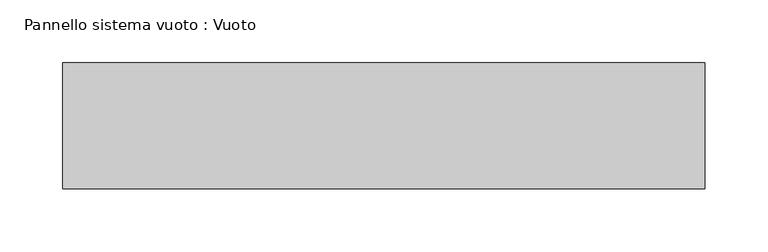
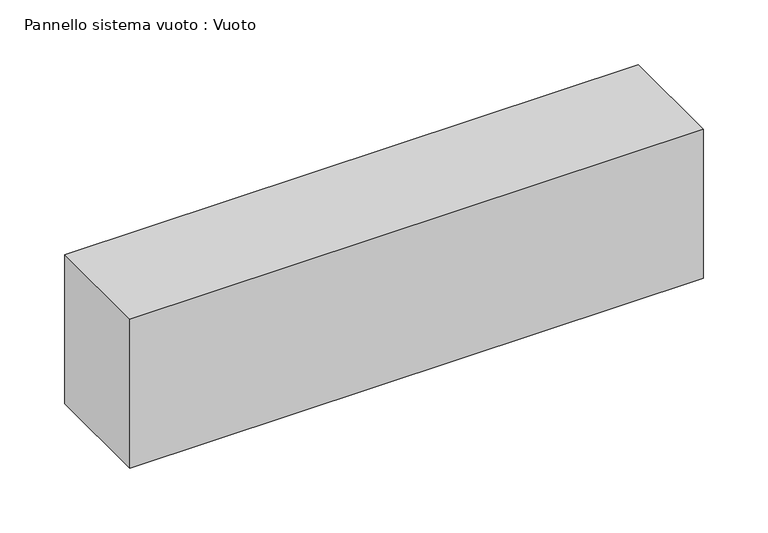
"""IFC4 building model written with IfcOpenShell, lengths in millimetres: plate geometry, Pannello sistema vuoto : Vuoto."""

from ifc_helpers import new_model, si_unit, origin, origin_with_axes, place, context, project, spatial, polyline, outline, extrude, source, transform, mapped, element, save


def pannello_sistema_vuoto_vuoto_34f31770(model_context):
    return source(origin(), model_context, "Body", "SweptSolid", [
        extrude(outline(polyline([(255.0, 50.0), (-255.0, 50.0), (-255.0, 150.0), (255.0, 150.0), (255.0, 50.0)])), origin_with_axes(), (0.0, 0.0, 1.0), 140.0),
    ])


if __name__ == "__main__":
    model = new_model("IFC4")
    model_context = context("Model", 3, world=origin())
    ifc_project = project(units=[si_unit("LENGTHUNIT", "METRE", prefix="MILLI")], contexts=[model_context])
    site = spatial("IfcSite", under=ifc_project)
    building = spatial("IfcBuilding", under=site)
    placement = place(None, origin())
    pannello_sistema_vuoto_vuoto_shape = pannello_sistema_vuoto_vuoto_34f31770(model_context)
    element("IfcPlate", 1, ObjectType="Pannello sistema vuoto : Vuoto", at=placement, inside=building, context=model_context, shape_type="MappedRepresentation", body=[
        mapped(pannello_sistema_vuoto_vuoto_shape, transform((0.0, 0.0, 0.0), x_axis=(1.0, 0.0, 0.0), y_axis=(0.0, 1.0, 0.0), z_axis=(0.0, 0.0, 1.0))),
    ])
    save(model, "model.ifc")
